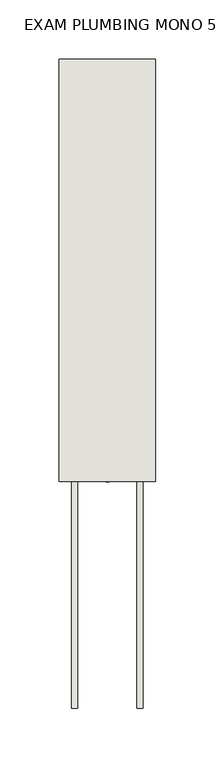
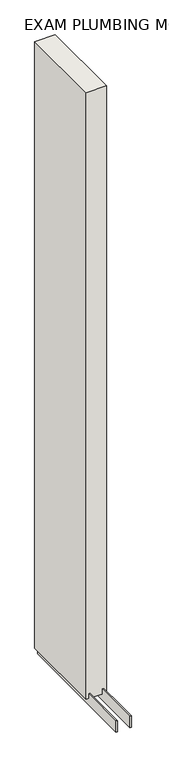
"""IFC4 building model written with IfcOpenShell, lengths in millimetres: wall geometry, EXAM PLUMBING MONO 575210 : EXAM PLUMBING MONO 575210."""

from ifc_helpers import new_model, si_unit, frame, origin, place, context, project, spatial, polyline, outline, extrude, source, transform, mapped, element, save


def exam_plumbing_mono_575210_exam_plumbing_mono_575210_71d30c60(model_context):
    return source(origin(), model_context, "Body", "SweptSolid", [
        extrude(outline(polyline([(44096.3701002, -41123.9320014), (44096.3701002, -41121.3920014), (44098.9101002, -41121.3920014), (44098.9101002, -41123.9320014), (44096.3701002, -41123.9320014)])), frame((0.0, 0.0, 4419.6), z_axis=(0.0, 0.0, 1.0), x_axis=(1.0, 0.0, 0.0)), (0.0, 0.0, 1.0), 2.54),
        extrude(outline(polyline([(44122.720746, -41314.4208508), (44122.720746, -40768.3208508), (44127.7995014, -40768.3208508), (44127.7995014, -41314.4208508), (44122.720746, -41314.4208508)])), frame((0.0, 0.0, 4418.6602), z_axis=(0.0, 0.0, 1.0), x_axis=(1.0, 0.0, 0.0)), (0.0, 0.0, 1.0), 47.625),
        extrude(outline(polyline([(44122.720746, -41314.4208508), (44122.720746, -40768.3208508), (44127.7995014, -40768.3208508), (44127.7995014, -41314.4208508), (44122.720746, -41314.4208508)])), frame((0.0, 0.0, 4418.6602), z_axis=(0.0, 0.0, 1.0), x_axis=(1.0, 0.0, 0.0)), (0.0, 0.0, 1.0), 47.625),
        extrude(outline(polyline([(44072.556381, -40768.3208508), (44072.556381, -41314.4208508), (44067.4745014, -41314.4208508), (44067.4745014, -40768.3208508), (44072.556381, -40768.3208508)])), frame((0.0, 0.0, 4418.6602), z_axis=(0.0, 0.0, 1.0), x_axis=(1.0, 0.0, 0.0)), (0.0, 0.0, 1.0), 47.625),
        extrude(outline(polyline([(44072.556381, -40768.3208508), (44072.556381, -41314.4208508), (44067.4745014, -41314.4208508), (44067.4745014, -40768.3208508), (44072.556381, -40768.3208508)])), frame((0.0, 0.0, 4418.6602), z_axis=(0.0, 0.0, 1.0), x_axis=(1.0, 0.0, 0.0)), (0.0, 0.0, 1.0), 47.625),
        extrude(outline(polyline([(44138.2918858, -41123.9208508), (44057.0100316, -41123.9208508), (44057.0100316, -40768.3208508), (44138.2918858, -40768.3208508), (44138.2918858, -41123.9208508)])), frame((0.0, 0.0, 4445.0), z_axis=(0.0, 0.0, 1.0), x_axis=(1.0, 0.0, 0.0)), (0.0, 0.0, 1.0), 2562.4536762),
    ])


if __name__ == "__main__":
    model = new_model("IFC4")
    model_context = context("Model", 3, world=origin())
    ifc_project = project(units=[si_unit("LENGTHUNIT", "METRE", prefix="MILLI")], contexts=[model_context])
    site = spatial("IfcSite", under=ifc_project)
    building = spatial("IfcBuilding", under=site)
    placement = place(None, origin())
    exam_plumbing_mono_575210_exam_plumbing_mono_575210_shape = exam_plumbing_mono_575210_exam_plumbing_mono_575210_71d30c60(model_context)
    element("IfcWall", 1, ObjectType="EXAM PLUMBING MONO 575210 : EXAM PLUMBING MONO 575210", at=placement, inside=building, context=model_context, shape_type="MappedRepresentation", body=[
        mapped(exam_plumbing_mono_575210_exam_plumbing_mono_575210_shape, transform((0.0, 0.0, 0.0), x_axis=(1.0, 0.0, 0.0), y_axis=(0.0, 1.0, 0.0), z_axis=(0.0, 0.0, 1.0))),
    ])
    save(model, "model.ifc")
